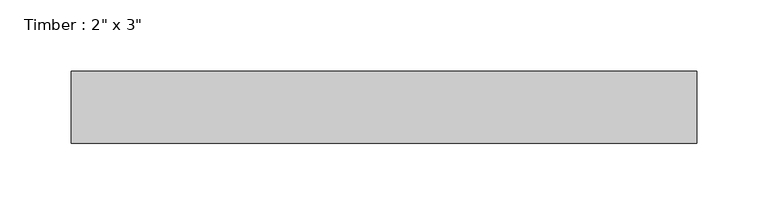
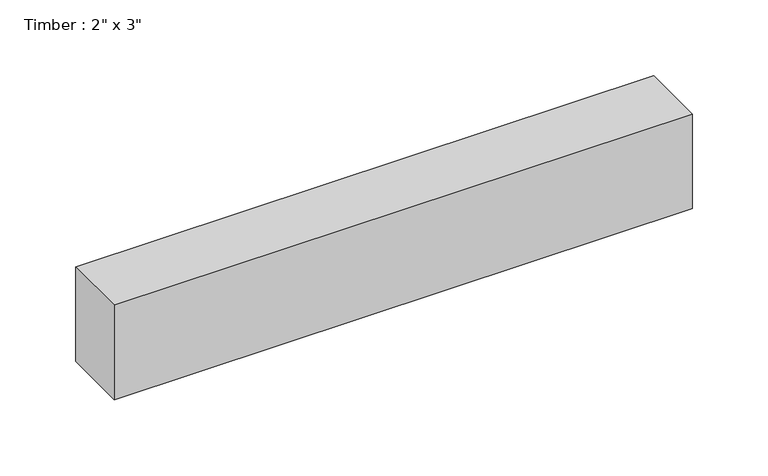
"""IFC4 building model written with IfcOpenShell, lengths in millimetres: beam geometry."""

from ifc_helpers import new_model, si_unit, frame, origin, place, context, project, spatial, polyline, outline, extrude, source, transform, mapped, element, save


def beam_6db52ffe(model_context):
    return source(origin(), model_context, "Body", "SweptSolid", [
        extrude(outline(polyline([(219.8172775, 25.4), (219.8172775, -25.4), (-219.8172775, -25.4), (-219.8172775, 25.4), (219.8172775, 25.4)])), frame((0.0, 0.0, -38.1), z_axis=(0.0, 0.0, 1.0), x_axis=(1.0, 0.0, 0.0)), (0.0, 0.0, 1.0), 76.2),
    ])


if __name__ == "__main__":
    model = new_model("IFC4")
    model_context = context("Model", 3, world=origin())
    ifc_project = project(units=[si_unit("LENGTHUNIT", "METRE", prefix="MILLI")], contexts=[model_context])
    site = spatial("IfcSite", under=ifc_project)
    building = spatial("IfcBuilding", under=site)
    placement = place(None, origin())
    beam_shape = beam_6db52ffe(model_context)
    element("IfcBeam", 1, ObjectType="Timber : 2\" x 3\"", at=placement, inside=building, context=model_context, shape_type="MappedRepresentation", body=[
        mapped(beam_shape, transform((0.0, 0.0, 0.0), x_axis=(1.0, 0.0, 0.0), y_axis=(0.0, 1.0, 0.0), z_axis=(0.0, 0.0, 1.0))),
    ])
    save(model, "model.ifc")
